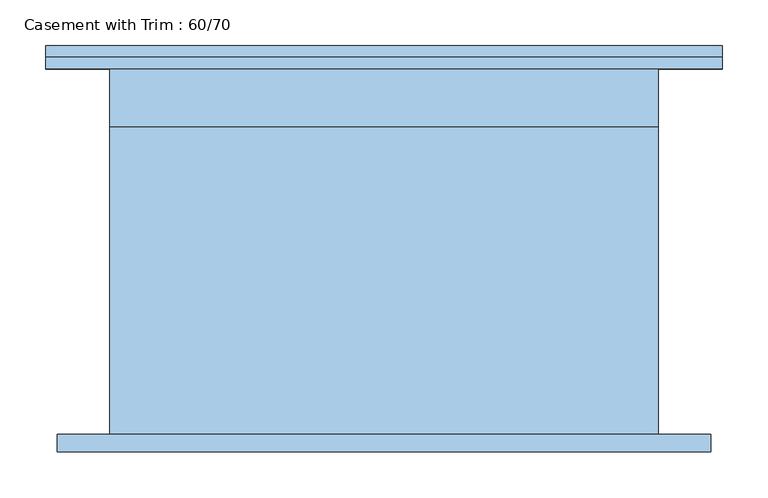
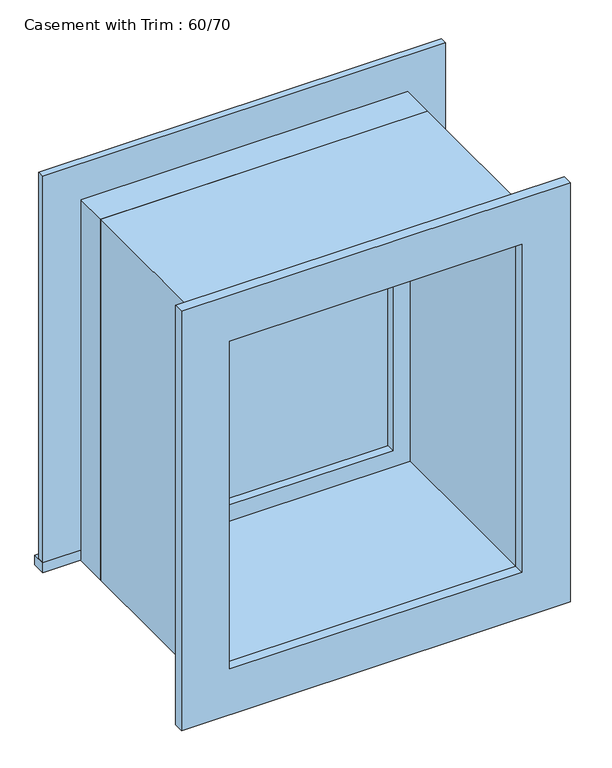
"""IFC4 building model written with IfcOpenShell, lengths in millimetres: window geometry, Casement with Trim : 60/70."""

import ifcopenshell
import ifcopenshell.guid

model = None  # the IFC model being written
_history = None  # IfcOwnerHistory: only IFC2X3 demands one
_inside = {}  # id of a spatial element -> (the spatial element, [elements in it])
_under = {}  # id of a project, library or spatial element -> (it, [spatial elements below it])
_declared = {}  # id of a project -> (the project, [libraries it declares])
_typed = {}  # id of a type object -> (the type object, [elements of that type])
_made_of = {}  # id of a material, layer set ... -> (it, [elements and type objects made of it])


def new_model(schema):
    """Start an empty IFC model of exactly this schema.

    Asked for "IFC4X3", IfcOpenShell would pick the latest addendum, in which some entities
    have other attributes; the version numbers below select the first issue.
    IFC2X3 requires an IfcOwnerHistory on every rooted entity: one is made here for all.
    """
    global model, _history
    if schema == "IFC4X3":
        model = ifcopenshell.file(schema_version=(4, 3, 0, 0))
    else:
        model = ifcopenshell.file(schema=schema)
    _inside.clear()
    _under.clear()
    _declared.clear()
    _typed.clear()
    _made_of.clear()
    _history = None
    if model.schema == "IFC2X3":
        org = make("IfcOrganization", Name="unknown")
        user = make(
            "IfcPersonAndOrganization",
            ThePerson=make("IfcPerson", FamilyName="unknown"),
            TheOrganization=org,
        )
        app = make(
            "IfcApplication",
            ApplicationDeveloper=org,
            Version="unknown",
            ApplicationFullName="unknown",
            ApplicationIdentifier="unknown",
        )
        _history = make(
            "IfcOwnerHistory",
            OwningUser=user,
            OwningApplication=app,
            ChangeAction="ADDED",
            CreationDate=0,
        )
    return model


def make(cls, **values):
    """One entity of the class cls with the attributes given. An attribute that is None is left unset."""
    return model.create_entity(
        cls, **{name: value for name, value in values.items() if value is not None}
    )


def rooted(cls, **values):
    """An entity with a GlobalId (a new one), such as an element, a storey or a relation."""
    return make(cls, GlobalId=ifcopenshell.guid.new(), OwnerHistory=_history, **values)


def si_unit(unit_type, name, prefix=None):
    """IfcSIUnit, for example si_unit("LENGTHUNIT", "METRE", prefix="MILLI")."""
    return make("IfcSIUnit", UnitType=unit_type, Prefix=prefix, Name=name)


def assignment(units):
    """IfcUnitAssignment: the units of a project."""
    return None if units is None else make("IfcUnitAssignment", Units=units)


def point(xyz):
    """IfcCartesianPoint."""
    return None if xyz is None else make("IfcCartesianPoint", Coordinates=xyz)


def direction(xyz):
    """IfcDirection."""
    return None if xyz is None else make("IfcDirection", DirectionRatios=xyz)


def frame(location, z_axis=None, x_axis=None):
    """IfcAxis2Placement3D, a coordinate frame: its origin and axes. An axis left out is left unset."""
    return make(
        "IfcAxis2Placement3D",
        Location=point(location),
        Axis=direction(z_axis),
        RefDirection=direction(x_axis),
    )


def origin():
    """The frame at (0, 0, 0) with its axes left unset."""
    return frame((0.0, 0.0, 0.0))


def place(relative_to, where):
    """IfcLocalPlacement: puts the frame where relative to a parent placement (None: the world)."""
    return make(
        "IfcLocalPlacement", PlacementRelTo=relative_to, RelativePlacement=where
    )


def context(
    kind, dimensions, precision=None, world=None, true_north=None, identifier=None
):
    """IfcGeometricRepresentationContext, for example the 3D "Model" context."""
    return make(
        "IfcGeometricRepresentationContext",
        ContextIdentifier=identifier,
        ContextType=kind,
        CoordinateSpaceDimension=dimensions,
        Precision=precision,
        WorldCoordinateSystem=world,
        TrueNorth=true_north,
    )


def project(units=None, contexts=None):
    """IfcProject with its units and contexts."""
    return rooted(
        "IfcProject",
        Name="project",
        RepresentationContexts=contexts,
        UnitsInContext=assignment(units),
    )


def spatial(cls, under=None, at=None, **own):
    """A site, building, storey or space (cls), placed at a placement, below another one or the project."""
    s = rooted(cls, ObjectPlacement=at, **own)
    if under is not None:
        _under.setdefault(under.id(), (under, []))[1].append(s)
    return s


def polyline(points):
    """IfcPolyline through the points."""
    return make("IfcPolyline", Points=[point(p) for p in points])


def outline(outer, holes=None, kind="AREA"):
    """IfcArbitraryClosedProfileDef: a profile drawn as a closed curve; with holes, ...WithVoids."""
    if holes is None:
        return make("IfcArbitraryClosedProfileDef", ProfileType=kind, OuterCurve=outer)
    return make(
        "IfcArbitraryProfileDefWithVoids",
        ProfileType=kind,
        OuterCurve=outer,
        InnerCurves=holes,
    )


def extrude(swept, where, along, depth):
    """IfcExtrudedAreaSolid: the profile swept, set in the frame where, extruded along a direction by depth."""
    return make(
        "IfcExtrudedAreaSolid",
        SweptArea=swept,
        Position=where,
        ExtrudedDirection=direction(along),
        Depth=depth,
    )


def shape(context_of_items, identifier, shape_type, items):
    """IfcShapeRepresentation: the items that make up one representation, for example the "Body"."""
    return make(
        "IfcShapeRepresentation",
        ContextOfItems=context_of_items,
        RepresentationIdentifier=identifier,
        RepresentationType=shape_type,
        Items=items,
    )


def source(mapping_origin, context_of_items, identifier, shape_type, items):
    """IfcRepresentationMap: a shape defined once, which mapped items show again and again."""
    return make(
        "IfcRepresentationMap",
        MappingOrigin=mapping_origin,
        MappedRepresentation=shape(context_of_items, identifier, shape_type, items),
    )


def transform(
    local_origin,
    x_axis=None,
    y_axis=None,
    z_axis=None,
    scale=None,
    scale2=None,
    scale3=None,
    uniform=True,
):
    """IfcCartesianTransformationOperator3D, or its non-uniform kind. x_axis, y_axis, z_axis: its Axis1, 2, 3."""
    if uniform:
        return make(
            "IfcCartesianTransformationOperator3D",
            Axis1=direction(x_axis),
            Axis2=direction(y_axis),
            LocalOrigin=point(local_origin),
            Scale=scale,
            Axis3=direction(z_axis),
        )
    return make(
        "IfcCartesianTransformationOperator3DnonUniform",
        Axis1=direction(x_axis),
        Axis2=direction(y_axis),
        LocalOrigin=point(local_origin),
        Scale=scale,
        Axis3=direction(z_axis),
        Scale2=scale2,
        Scale3=scale3,
    )


def mapped(mapping_source, mapping_target):
    """IfcMappedItem: shows the shape of a source again, moved by a transform."""
    return make(
        "IfcMappedItem", MappingSource=mapping_source, MappingTarget=mapping_target
    )


def made_of(thing, what):
    """Note that an element or type object is made of a material, layer set ...; save() writes the relation."""
    if what is not None:
        _made_of.setdefault(what.id(), (what, []))[1].append(thing)
    return thing


def element(
    cls,
    number,
    at=None,
    inside=None,
    cuts=None,
    type_object=None,
    material=None,
    context=None,
    identifier="Body",
    shape_type=None,
    held_by="IfcProductDefinitionShape",
    body=None,
    shapes=None,
    **own,
):
    """One element of the class cls, such as IfcWall. Its Tag is "e" and its number.

    at: its placement. inside: the storey or other place that contains it. cuts: it is an
    opening in that element (IfcRelVoidsElement). A single representation is given by context,
    identifier, shape_type and body (its items); several are given by shapes. held_by: the class
    of the entity that holds the representations. save() writes the other relations.
    """
    e = rooted(cls, Tag="e%d" % number, ObjectPlacement=at, **own)
    if body is not None:
        shapes = [shape(context, identifier, shape_type, body)]
    if shapes is not None:
        e.Representation = make(held_by, Representations=shapes)
    if inside is not None:
        _inside.setdefault(inside.id(), (inside, []))[1].append(e)
    if cuts is not None:
        rooted(
            "IfcRelVoidsElement", RelatingBuildingElement=cuts, RelatedOpeningElement=e
        )
    if type_object is not None:
        _typed.setdefault(type_object.id(), (type_object, []))[1].append(e)
    return made_of(e, material)


def aggregate(whole, parts):
    """IfcRelAggregates: a whole, such as a stair, and the parts it consists of."""
    return rooted("IfcRelAggregates", RelatingObject=whole, RelatedObjects=parts)


def save(model, path):
    """Write the relations noted so far, then the file.

    IfcRelAggregates (storeys below a building ...), IfcRelContainedInSpatialStructure (elements
    in a storey), IfcRelDefinesByType, IfcRelAssociatesMaterial and IfcRelDeclares: one each for
    every whole, place, type object, material and project.
    """
    for whole, parts in _under.values():
        aggregate(whole, parts)
    for where, things in _inside.values():
        rooted(
            "IfcRelContainedInSpatialStructure",
            RelatedElements=things,
            RelatingStructure=where,
        )
    for kind, things in _typed.values():
        rooted("IfcRelDefinesByType", RelatedObjects=things, RelatingType=kind)
    for what, things in _made_of.values():
        rooted("IfcRelAssociatesMaterial", RelatedObjects=things, RelatingMaterial=what)
    for by, libraries in _declared.values():
        rooted("IfcRelDeclares", RelatingContext=by, RelatedDefinitions=libraries)
    model.write(path)


def casement_with_trim_60_70_e192c71f(model_context):
    return source(origin(), model_context, "Body", "SweptSolid", [
        extrude(outline(polyline([(-369.85, 225.4), (369.85, 225.4), (369.85, 200.0), (-369.85, 200.0), (-369.85, 225.4)])), frame((0.0, 0.0, 914.4), z_axis=(0.0, 0.0, 1.0), x_axis=(1.0, 0.0, 0.0)), (0.0, 0.0, 1.0), 19.05),
        extrude(outline(polyline([(1595.35, -280.95), (1595.35, 280.95), (933.45, 280.95), (933.45, 369.85), (1684.25, 369.85), (1684.25, -369.85), (933.45, -369.85), (933.45, -280.95), (1595.35, -280.95)])), frame((0.0, 200.0, 0.0), z_axis=(0.0, 1.0, 0.0), x_axis=(0.0, 0.0, 1.0)), (0.0, 0.0, 1.0), 12.7),
        extrude(outline(polyline([(1671.55, 357.15), (1671.55, -357.15), (857.25, -357.15), (857.25, 357.15), (1671.55, 357.15)]), holes=[polyline([(1582.65, 268.25), (946.15, 268.25), (946.15, -268.25), (1582.65, -268.25), (1582.65, 268.25)])]), frame((0.0, -219.05, 0.0), z_axis=(0.0, 1.0, 0.0), x_axis=(0.0, 0.0, 1.0)), (0.0, 0.0, 1.0), 19.05),
        extrude(outline(polyline([(236.5, 152.375), (-236.5, 152.375), (-236.5, 165.075), (236.5, 165.075), (236.5, 152.375)])), frame((0.0, 0.0, 977.9), z_axis=(0.0, 0.0, 1.0), x_axis=(1.0, 0.0, 0.0)), (0.0, 0.0, 1.0), 573.0),
        extrude(outline(polyline([(1595.35, -280.95), (933.45, -280.95), (933.45, 280.95), (1595.35, 280.95), (1595.35, -280.95)]), holes=[polyline([(1550.9, -236.5), (1550.9, 236.5), (977.9, 236.5), (977.9, -236.5), (1550.9, -236.5)])]), frame((0.0, 136.5, 0.0), z_axis=(0.0, 1.0, 0.0), x_axis=(0.0, 0.0, 1.0)), (0.0, 0.0, 1.0), 44.45),
        extrude(outline(polyline([(1614.4, -300.0), (914.4, -300.0), (914.4, 300.0), (1614.4, 300.0), (1614.4, -300.0)]), holes=[polyline([(1582.65, -268.25), (1582.65, 268.25), (946.15, 268.25), (946.15, -268.25), (1582.65, -268.25)])]), frame((0.0, -200.0, 0.0), z_axis=(0.0, 1.0, 0.0), x_axis=(0.0, 0.0, 1.0)), (0.0, 0.0, 1.0), 336.5),
        extrude(outline(polyline([(1614.4, 300.0), (1614.4, -300.0), (914.4, -300.0), (914.4, 300.0), (1614.4, 300.0)]), holes=[polyline([(1595.35, 280.95), (933.45, 280.95), (933.45, -280.95), (1595.35, -280.95), (1595.35, 280.95)])]), frame((0.0, 136.5, 0.0), z_axis=(0.0, 1.0, 0.0), x_axis=(0.0, 0.0, 1.0)), (0.0, 0.0, 1.0), 63.5),
    ])


if __name__ == "__main__":
    model = new_model("IFC4")
    model_context = context("Model", 3, world=origin())
    ifc_project = project(units=[si_unit("LENGTHUNIT", "METRE", prefix="MILLI")], contexts=[model_context])
    site = spatial("IfcSite", under=ifc_project)
    building = spatial("IfcBuilding", under=site)
    placement = place(None, origin())
    casement_with_trim_60_70_shape = casement_with_trim_60_70_e192c71f(model_context)
    element("IfcWindow", 1, ObjectType="Casement with Trim : 60/70", at=placement, inside=building, context=model_context, shape_type="MappedRepresentation", body=[
        mapped(casement_with_trim_60_70_shape, transform((0.0, 0.0, 0.0), x_axis=(1.0, 0.0, 0.0), y_axis=(0.0, 1.0, 0.0), z_axis=(0.0, 0.0, 1.0))),
    ])
    save(model, "model.ifc")
